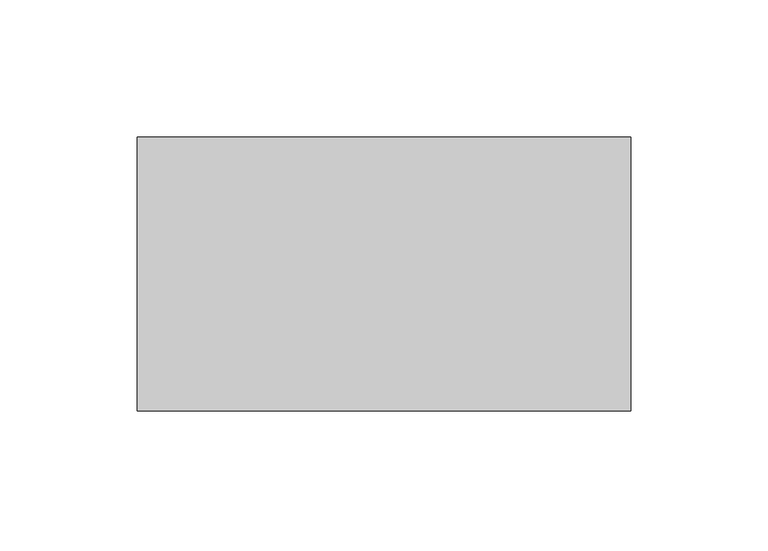
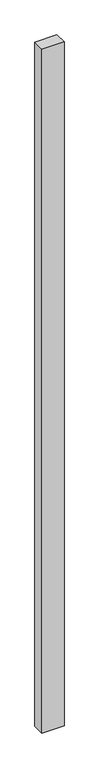
"""IFC4 building model written with IfcOpenShell, lengths in millimetres: proxy geometry."""

from ifc_helpers import new_model, si_unit, frame, origin, place, context, project, spatial, polyline, outline, extrude, source, transform, mapped, element, save


def generic_models_856df2ec(model_context):
    return source(origin(), model_context, "Body", "SweptSolid", [
        extrude(outline(polyline([(180.0, 100.0), (180.0, 0.0), (0.0, 0.0), (0.0, 100.0), (180.0, 100.0)])), frame((0.0, 0.0, -5900.0), z_axis=(0.0, 0.0, 1.0), x_axis=(1.0, 0.0, 0.0)), (0.0, 0.0, 1.0), 5900.0),
    ])


if __name__ == "__main__":
    model = new_model("IFC4")
    model_context = context("Model", 3, world=origin())
    ifc_project = project(units=[si_unit("LENGTHUNIT", "METRE", prefix="MILLI")], contexts=[model_context])
    site = spatial("IfcSite", under=ifc_project)
    building = spatial("IfcBuilding", under=site)
    placement = place(None, origin())
    generic_models_shape = generic_models_856df2ec(model_context)
    element("IfcBuildingElementProxy", 1, Name="Generic Models", at=placement, inside=building, context=model_context, shape_type="MappedRepresentation", body=[
        mapped(generic_models_shape, transform((0.0, 0.0, 0.0), x_axis=(1.0, 0.0, 0.0), y_axis=(0.0, 1.0, 0.0), z_axis=(0.0, 0.0, 1.0))),
    ])
    save(model, "model.ifc")
